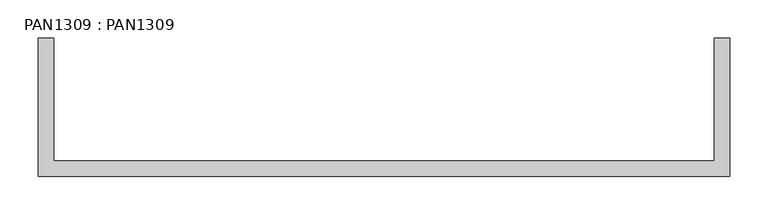
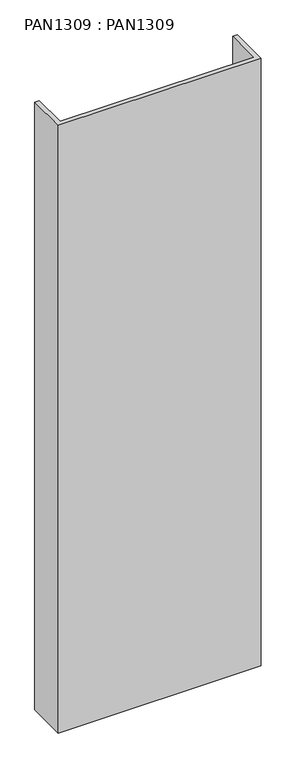
"""IFC4 building model written with IfcOpenShell, lengths in millimetres: proxy geometry, PAN1309 : PAN1309."""

from ifc_helpers import new_model, si_unit, origin, origin_with_axes, place, context, project, spatial, polyline, outline, extrude, source, transform, mapped, element, save


def pan1309_pan1309_24f38974(model_context):
    return source(origin(), model_context, "Body", "SweptSolid", [
        extrude(outline(polyline([(880.0, -160.0), (880.0, 0.0), (900.0, 0.0), (900.0, -180.0), (0.0, -180.0), (0.0, 0.0), (20.0, 0.0), (20.0, -160.0), (880.0, -160.0)])), origin_with_axes(), (0.0, 0.0, 1.0), 2850.0),
    ])


if __name__ == "__main__":
    model = new_model("IFC4")
    model_context = context("Model", 3, world=origin())
    ifc_project = project(units=[si_unit("LENGTHUNIT", "METRE", prefix="MILLI")], contexts=[model_context])
    site = spatial("IfcSite", under=ifc_project)
    building = spatial("IfcBuilding", under=site)
    placement = place(None, origin())
    pan1309_pan1309_shape = pan1309_pan1309_24f38974(model_context)
    element("IfcBuildingElementProxy", 1, Name="PAN1309 : PAN1309", ObjectType="PAN1309 : PAN1309", at=placement, inside=building, context=model_context, shape_type="MappedRepresentation", body=[
        mapped(pan1309_pan1309_shape, transform((0.0, 0.0, 0.0), x_axis=(1.0, 0.0, 0.0), y_axis=(0.0, 1.0, 0.0), z_axis=(0.0, 0.0, 1.0))),
    ])
    save(model, "model.ifc")
